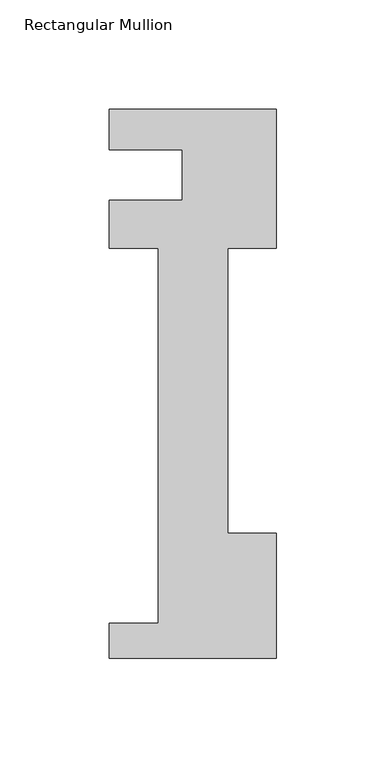
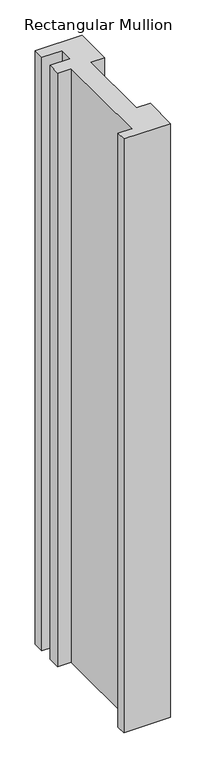
"""IFC4 building model written with IfcOpenShell, lengths in millimetres: member geometry, Rectangular Mullion."""

import ifcopenshell
import ifcopenshell.guid

model = None  # the IFC model being written
_history = None  # IfcOwnerHistory: only IFC2X3 demands one
_inside = {}  # id of a spatial element -> (the spatial element, [elements in it])
_under = {}  # id of a project, library or spatial element -> (it, [spatial elements below it])
_declared = {}  # id of a project -> (the project, [libraries it declares])
_typed = {}  # id of a type object -> (the type object, [elements of that type])
_made_of = {}  # id of a material, layer set ... -> (it, [elements and type objects made of it])


def new_model(schema):
    """Start an empty IFC model of exactly this schema.

    Asked for "IFC4X3", IfcOpenShell would pick the latest addendum, in which some entities
    have other attributes; the version numbers below select the first issue.
    IFC2X3 requires an IfcOwnerHistory on every rooted entity: one is made here for all.
    """
    global model, _history
    if schema == "IFC4X3":
        model = ifcopenshell.file(schema_version=(4, 3, 0, 0))
    else:
        model = ifcopenshell.file(schema=schema)
    _inside.clear()
    _under.clear()
    _declared.clear()
    _typed.clear()
    _made_of.clear()
    _history = None
    if model.schema == "IFC2X3":
        org = make("IfcOrganization", Name="unknown")
        user = make(
            "IfcPersonAndOrganization",
            ThePerson=make("IfcPerson", FamilyName="unknown"),
            TheOrganization=org,
        )
        app = make(
            "IfcApplication",
            ApplicationDeveloper=org,
            Version="unknown",
            ApplicationFullName="unknown",
            ApplicationIdentifier="unknown",
        )
        _history = make(
            "IfcOwnerHistory",
            OwningUser=user,
            OwningApplication=app,
            ChangeAction="ADDED",
            CreationDate=0,
        )
    return model


def make(cls, **values):
    """One entity of the class cls with the attributes given. An attribute that is None is left unset."""
    return model.create_entity(
        cls, **{name: value for name, value in values.items() if value is not None}
    )


def rooted(cls, **values):
    """An entity with a GlobalId (a new one), such as an element, a storey or a relation."""
    return make(cls, GlobalId=ifcopenshell.guid.new(), OwnerHistory=_history, **values)


def si_unit(unit_type, name, prefix=None):
    """IfcSIUnit, for example si_unit("LENGTHUNIT", "METRE", prefix="MILLI")."""
    return make("IfcSIUnit", UnitType=unit_type, Prefix=prefix, Name=name)


def assignment(units):
    """IfcUnitAssignment: the units of a project."""
    return None if units is None else make("IfcUnitAssignment", Units=units)


def point(xyz):
    """IfcCartesianPoint."""
    return None if xyz is None else make("IfcCartesianPoint", Coordinates=xyz)


def direction(xyz):
    """IfcDirection."""
    return None if xyz is None else make("IfcDirection", DirectionRatios=xyz)


def frame(location, z_axis=None, x_axis=None):
    """IfcAxis2Placement3D, a coordinate frame: its origin and axes. An axis left out is left unset."""
    return make(
        "IfcAxis2Placement3D",
        Location=point(location),
        Axis=direction(z_axis),
        RefDirection=direction(x_axis),
    )


def origin():
    """The frame at (0, 0, 0) with its axes left unset."""
    return frame((0.0, 0.0, 0.0))


def place(relative_to, where):
    """IfcLocalPlacement: puts the frame where relative to a parent placement (None: the world)."""
    return make(
        "IfcLocalPlacement", PlacementRelTo=relative_to, RelativePlacement=where
    )


def context(
    kind, dimensions, precision=None, world=None, true_north=None, identifier=None
):
    """IfcGeometricRepresentationContext, for example the 3D "Model" context."""
    return make(
        "IfcGeometricRepresentationContext",
        ContextIdentifier=identifier,
        ContextType=kind,
        CoordinateSpaceDimension=dimensions,
        Precision=precision,
        WorldCoordinateSystem=world,
        TrueNorth=true_north,
    )


def project(units=None, contexts=None):
    """IfcProject with its units and contexts."""
    return rooted(
        "IfcProject",
        Name="project",
        RepresentationContexts=contexts,
        UnitsInContext=assignment(units),
    )


def spatial(cls, under=None, at=None, **own):
    """A site, building, storey or space (cls), placed at a placement, below another one or the project."""
    s = rooted(cls, ObjectPlacement=at, **own)
    if under is not None:
        _under.setdefault(under.id(), (under, []))[1].append(s)
    return s


def polyline(points):
    """IfcPolyline through the points."""
    return make("IfcPolyline", Points=[point(p) for p in points])


def outline(outer, holes=None, kind="AREA"):
    """IfcArbitraryClosedProfileDef: a profile drawn as a closed curve; with holes, ...WithVoids."""
    if holes is None:
        return make("IfcArbitraryClosedProfileDef", ProfileType=kind, OuterCurve=outer)
    return make(
        "IfcArbitraryProfileDefWithVoids",
        ProfileType=kind,
        OuterCurve=outer,
        InnerCurves=holes,
    )


def extrude(swept, where, along, depth):
    """IfcExtrudedAreaSolid: the profile swept, set in the frame where, extruded along a direction by depth."""
    return make(
        "IfcExtrudedAreaSolid",
        SweptArea=swept,
        Position=where,
        ExtrudedDirection=direction(along),
        Depth=depth,
    )


def shape(context_of_items, identifier, shape_type, items):
    """IfcShapeRepresentation: the items that make up one representation, for example the "Body"."""
    return make(
        "IfcShapeRepresentation",
        ContextOfItems=context_of_items,
        RepresentationIdentifier=identifier,
        RepresentationType=shape_type,
        Items=items,
    )


def source(mapping_origin, context_of_items, identifier, shape_type, items):
    """IfcRepresentationMap: a shape defined once, which mapped items show again and again."""
    return make(
        "IfcRepresentationMap",
        MappingOrigin=mapping_origin,
        MappedRepresentation=shape(context_of_items, identifier, shape_type, items),
    )


def transform(
    local_origin,
    x_axis=None,
    y_axis=None,
    z_axis=None,
    scale=None,
    scale2=None,
    scale3=None,
    uniform=True,
):
    """IfcCartesianTransformationOperator3D, or its non-uniform kind. x_axis, y_axis, z_axis: its Axis1, 2, 3."""
    if uniform:
        return make(
            "IfcCartesianTransformationOperator3D",
            Axis1=direction(x_axis),
            Axis2=direction(y_axis),
            LocalOrigin=point(local_origin),
            Scale=scale,
            Axis3=direction(z_axis),
        )
    return make(
        "IfcCartesianTransformationOperator3DnonUniform",
        Axis1=direction(x_axis),
        Axis2=direction(y_axis),
        LocalOrigin=point(local_origin),
        Scale=scale,
        Axis3=direction(z_axis),
        Scale2=scale2,
        Scale3=scale3,
    )


def mapped(mapping_source, mapping_target):
    """IfcMappedItem: shows the shape of a source again, moved by a transform."""
    return make(
        "IfcMappedItem", MappingSource=mapping_source, MappingTarget=mapping_target
    )


def made_of(thing, what):
    """Note that an element or type object is made of a material, layer set ...; save() writes the relation."""
    if what is not None:
        _made_of.setdefault(what.id(), (what, []))[1].append(thing)
    return thing


def element(
    cls,
    number,
    at=None,
    inside=None,
    cuts=None,
    type_object=None,
    material=None,
    context=None,
    identifier="Body",
    shape_type=None,
    held_by="IfcProductDefinitionShape",
    body=None,
    shapes=None,
    **own,
):
    """One element of the class cls, such as IfcWall. Its Tag is "e" and its number.

    at: its placement. inside: the storey or other place that contains it. cuts: it is an
    opening in that element (IfcRelVoidsElement). A single representation is given by context,
    identifier, shape_type and body (its items); several are given by shapes. held_by: the class
    of the entity that holds the representations. save() writes the other relations.
    """
    e = rooted(cls, Tag="e%d" % number, ObjectPlacement=at, **own)
    if body is not None:
        shapes = [shape(context, identifier, shape_type, body)]
    if shapes is not None:
        e.Representation = make(held_by, Representations=shapes)
    if inside is not None:
        _inside.setdefault(inside.id(), (inside, []))[1].append(e)
    if cuts is not None:
        rooted(
            "IfcRelVoidsElement", RelatingBuildingElement=cuts, RelatedOpeningElement=e
        )
    if type_object is not None:
        _typed.setdefault(type_object.id(), (type_object, []))[1].append(e)
    return made_of(e, material)


def aggregate(whole, parts):
    """IfcRelAggregates: a whole, such as a stair, and the parts it consists of."""
    return rooted("IfcRelAggregates", RelatingObject=whole, RelatedObjects=parts)


def save(model, path):
    """Write the relations noted so far, then the file.

    IfcRelAggregates (storeys below a building ...), IfcRelContainedInSpatialStructure (elements
    in a storey), IfcRelDefinesByType, IfcRelAssociatesMaterial and IfcRelDeclares: one each for
    every whole, place, type object, material and project.
    """
    for whole, parts in _under.values():
        aggregate(whole, parts)
    for where, things in _inside.values():
        rooted(
            "IfcRelContainedInSpatialStructure",
            RelatedElements=things,
            RelatingStructure=where,
        )
    for kind, things in _typed.values():
        rooted("IfcRelDefinesByType", RelatedObjects=things, RelatingType=kind)
    for what, things in _made_of.values():
        rooted("IfcRelAssociatesMaterial", RelatedObjects=things, RelatingMaterial=what)
    for by, libraries in _declared.values():
        rooted("IfcRelDeclares", RelatingContext=by, RelatedDefinitions=libraries)
    model.write(path)


def rectangular_mullion_10eb3d03(model_context):
    return source(origin(), model_context, "Body", "SweptSolid", [
        extrude(outline(polyline([(-76.2, -221.996), (-76.2, -206.121), (-53.975, -206.121), (-53.975, -34.671), (-76.2, -34.671), (-76.2, -12.7), (-42.8625, -12.7), (-42.8625, 10.3191857), (-76.2, 10.3191857), (-76.2, 28.8080986), (0.0, 28.8080986), (0.0, -34.671), (-22.225, -34.671), (-22.225, -164.8220701), (0.0, -164.8220701), (0.0, -221.996), (-76.2, -221.996)])), frame((0.0, 0.0, -1024.4666667), z_axis=(0.0, 0.0, 1.0), x_axis=(1.0, 0.0, 0.0)), (0.0, 0.0, 1.0), 1024.4666667),
    ])


if __name__ == "__main__":
    model = new_model("IFC4")
    model_context = context("Model", 3, world=origin())
    ifc_project = project(units=[si_unit("LENGTHUNIT", "METRE", prefix="MILLI")], contexts=[model_context])
    site = spatial("IfcSite", under=ifc_project)
    building = spatial("IfcBuilding", under=site)
    placement = place(None, origin())
    rectangular_mullion_shape = rectangular_mullion_10eb3d03(model_context)
    element("IfcMember", 1, ObjectType="Rectangular Mullion", at=placement, inside=building, context=model_context, shape_type="MappedRepresentation", body=[
        mapped(rectangular_mullion_shape, transform((0.0, 0.0, 0.0), x_axis=(1.0, 0.0, 0.0), y_axis=(0.0, 1.0, 0.0), z_axis=(0.0, 0.0, 1.0))),
    ])
    save(model, "model.ifc")
